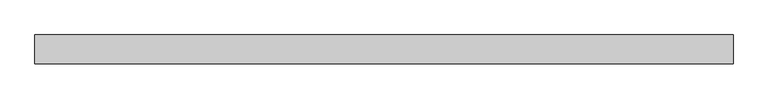
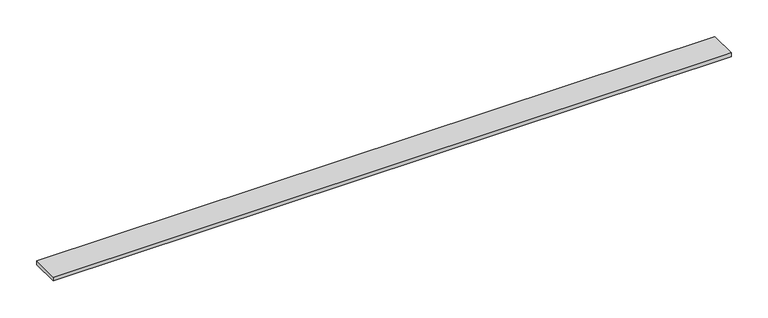
"""IFC4 building model written with IfcOpenShell, lengths in millimetres: furniture geometry."""

from ifc_helpers import new_model, si_unit, frame, origin, place, context, project, spatial, polyline, outline, extrude, source, transform, mapped, element, save


def furniture_46653134(model_context):
    return source(origin(), model_context, "Body", "SweptSolid", [
        extrude(outline(polyline([(706.01205, 16.51), (706.01205, -27.94), (-360.78795, -27.94), (-360.78795, 16.51), (706.01205, 16.51)])), frame((0.0, 0.0, 1365.25), z_axis=(0.0, 0.0, 1.0), x_axis=(1.0, 0.0, 0.0)), (0.0, 0.0, 1.0), 6.35),
    ])


if __name__ == "__main__":
    model = new_model("IFC4")
    model_context = context("Model", 3, world=origin())
    ifc_project = project(units=[si_unit("LENGTHUNIT", "METRE", prefix="MILLI")], contexts=[model_context])
    site = spatial("IfcSite", under=ifc_project)
    building = spatial("IfcBuilding", under=site)
    placement = place(None, origin())
    furniture_shape = furniture_46653134(model_context)
    element("IfcFurniture", 1, at=placement, inside=building, context=model_context, shape_type="MappedRepresentation", body=[
        mapped(furniture_shape, transform((0.0, 0.0, 0.0), x_axis=(1.0, 0.0, 0.0), y_axis=(0.0, 1.0, 0.0), z_axis=(0.0, 0.0, 1.0))),
    ])
    save(model, "model.ifc")
